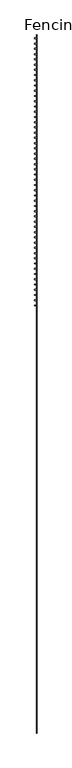
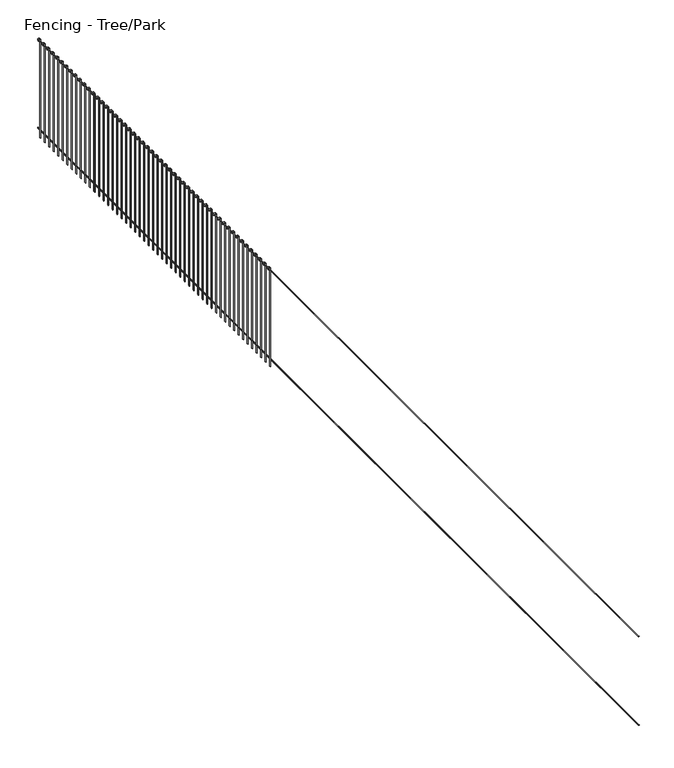
"""IFC4 building model written with IfcOpenShell, lengths in millimetres: railing geometry, Fencing - Tree/Park."""

from ifc_helpers import new_model, si_unit, point, frame, frame_2d, origin, place, context, project, spatial, polyline, circle_curve, trimmed, segment, composite_curve, outline, extrude, source, transform, mapped, element, save


def fencing_tree_park_5382d2d9(model_context):
    return source(origin(), model_context, "Body", "SweptSolid", [
        extrude(outline(composite_curve([segment(trimmed(circle_curve(frame_2d((1892.5, 5260.9077408)), 7.5), [point((1892.5, 5253.4077408))], [point((1892.5, 5268.4077408))], False, "CARTESIAN"), True, "CONTINUOUS"), segment(trimmed(circle_curve(frame_2d((1892.5, 5260.9077408)), 7.5), [point((1892.5, 5268.4077408))], [point((1892.5, 5253.4077408))], False, "CARTESIAN"), True, "CONTINUOUS")], self_intersect=False)), frame((0.0, 6288.7740332, 0.0), z_axis=(0.0, 1.0, 0.0), x_axis=(0.0, 0.0, 1.0)), (0.0, 0.0, 1.0), 20000.0),
        extrude(outline(composite_curve([segment(trimmed(circle_curve(frame_2d((92.5, 5260.9077408)), 7.5), [point((92.5, 5253.4077408))], [point((92.5, 5268.4077408))], False, "CARTESIAN"), True, "CONTINUOUS"), segment(trimmed(circle_curve(frame_2d((92.5, 5260.9077408)), 7.5), [point((92.5, 5268.4077408))], [point((92.5, 5253.4077408))], False, "CARTESIAN"), True, "CONTINUOUS")], self_intersect=False)), frame((0.0, 6288.7740332, 0.0), z_axis=(0.0, 1.0, 0.0), x_axis=(0.0, 0.0, 1.0)), (0.0, 0.0, 1.0), 20000.0),
        extrude(outline(composite_curve([segment(trimmed(circle_curve(frame_2d((1950.0, 5228.4077408)), 25.0), [point((1950.0, 5253.4077408))], [point((1950.0, 5203.4077408))], False, "CARTESIAN"), True, "CONTINUOUS"), segment(polyline([(1950.0, 5203.4077408), (1940.0, 5203.4077408), (1940.0, 5208.4077408), (1950.0, 5208.4077408)]), True, "CONTINUOUS"), segment(trimmed(circle_curve(frame_2d((1950.0, 5228.4077408)), 20.0), [point((1950.0, 5208.4077408))], [point((1950.0, 5248.4077408))], True, "CARTESIAN"), True, "CONTINUOUS"), segment(polyline([(1950.0, 5248.4077408), (-50.0, 5248.4077408), (-50.0, 5253.4077408), (1950.0, 5253.4077408)]), True, "CONTINUOUS")], self_intersect=False)), frame((0.0, 26176.2740332, 0.0), z_axis=(0.0, 1.0, 0.0), x_axis=(0.0, 0.0, 1.0)), (0.0, 0.0, 1.0), 25.0),
        extrude(outline(composite_curve([segment(trimmed(circle_curve(frame_2d((1950.0, 5228.4077408)), 25.0), [point((1950.0, 5253.4077408))], [point((1950.0, 5203.4077408))], False, "CARTESIAN"), True, "CONTINUOUS"), segment(polyline([(1950.0, 5203.4077408), (1940.0, 5203.4077408), (1940.0, 5208.4077408), (1950.0, 5208.4077408)]), True, "CONTINUOUS"), segment(trimmed(circle_curve(frame_2d((1950.0, 5228.4077408)), 20.0), [point((1950.0, 5208.4077408))], [point((1950.0, 5248.4077408))], True, "CARTESIAN"), True, "CONTINUOUS"), segment(polyline([(1950.0, 5248.4077408), (-50.0, 5248.4077408), (-50.0, 5253.4077408), (1950.0, 5253.4077408)]), True, "CONTINUOUS")], self_intersect=False)), frame((0.0, 26026.2740332, 0.0), z_axis=(0.0, 1.0, 0.0), x_axis=(0.0, 0.0, 1.0)), (0.0, 0.0, 1.0), 25.0),
        extrude(outline(composite_curve([segment(trimmed(circle_curve(frame_2d((1950.0, 5228.4077408)), 25.0), [point((1950.0, 5253.4077408))], [point((1950.0, 5203.4077408))], False, "CARTESIAN"), True, "CONTINUOUS"), segment(polyline([(1950.0, 5203.4077408), (1940.0, 5203.4077408), (1940.0, 5208.4077408), (1950.0, 5208.4077408)]), True, "CONTINUOUS"), segment(trimmed(circle_curve(frame_2d((1950.0, 5228.4077408)), 20.0), [point((1950.0, 5208.4077408))], [point((1950.0, 5248.4077408))], True, "CARTESIAN"), True, "CONTINUOUS"), segment(polyline([(1950.0, 5248.4077408), (-50.0, 5248.4077408), (-50.0, 5253.4077408), (1950.0, 5253.4077408)]), True, "CONTINUOUS")], self_intersect=False)), frame((0.0, 25876.2740332, 0.0), z_axis=(0.0, 1.0, 0.0), x_axis=(0.0, 0.0, 1.0)), (0.0, 0.0, 1.0), 25.0),
        extrude(outline(composite_curve([segment(trimmed(circle_curve(frame_2d((1950.0, 5228.4077408)), 25.0), [point((1950.0, 5253.4077408))], [point((1950.0, 5203.4077408))], False, "CARTESIAN"), True, "CONTINUOUS"), segment(polyline([(1950.0, 5203.4077408), (1940.0, 5203.4077408), (1940.0, 5208.4077408), (1950.0, 5208.4077408)]), True, "CONTINUOUS"), segment(trimmed(circle_curve(frame_2d((1950.0, 5228.4077408)), 20.0), [point((1950.0, 5208.4077408))], [point((1950.0, 5248.4077408))], True, "CARTESIAN"), True, "CONTINUOUS"), segment(polyline([(1950.0, 5248.4077408), (-50.0, 5248.4077408), (-50.0, 5253.4077408), (1950.0, 5253.4077408)]), True, "CONTINUOUS")], self_intersect=False)), frame((0.0, 25726.2740332, 0.0), z_axis=(0.0, 1.0, 0.0), x_axis=(0.0, 0.0, 1.0)), (0.0, 0.0, 1.0), 25.0),
        extrude(outline(composite_curve([segment(trimmed(circle_curve(frame_2d((1950.0, 5228.4077408)), 25.0), [point((1950.0, 5253.4077408))], [point((1950.0, 5203.4077408))], False, "CARTESIAN"), True, "CONTINUOUS"), segment(polyline([(1950.0, 5203.4077408), (1940.0, 5203.4077408), (1940.0, 5208.4077408), (1950.0, 5208.4077408)]), True, "CONTINUOUS"), segment(trimmed(circle_curve(frame_2d((1950.0, 5228.4077408)), 20.0), [point((1950.0, 5208.4077408))], [point((1950.0, 5248.4077408))], True, "CARTESIAN"), True, "CONTINUOUS"), segment(polyline([(1950.0, 5248.4077408), (-50.0, 5248.4077408), (-50.0, 5253.4077408), (1950.0, 5253.4077408)]), True, "CONTINUOUS")], self_intersect=False)), frame((0.0, 25576.2740332, 0.0), z_axis=(0.0, 1.0, 0.0), x_axis=(0.0, 0.0, 1.0)), (0.0, 0.0, 1.0), 25.0),
        extrude(outline(composite_curve([segment(trimmed(circle_curve(frame_2d((1950.0, 5228.4077408)), 25.0), [point((1950.0, 5253.4077408))], [point((1950.0, 5203.4077408))], False, "CARTESIAN"), True, "CONTINUOUS"), segment(polyline([(1950.0, 5203.4077408), (1940.0, 5203.4077408), (1940.0, 5208.4077408), (1950.0, 5208.4077408)]), True, "CONTINUOUS"), segment(trimmed(circle_curve(frame_2d((1950.0, 5228.4077408)), 20.0), [point((1950.0, 5208.4077408))], [point((1950.0, 5248.4077408))], True, "CARTESIAN"), True, "CONTINUOUS"), segment(polyline([(1950.0, 5248.4077408), (-50.0, 5248.4077408), (-50.0, 5253.4077408), (1950.0, 5253.4077408)]), True, "CONTINUOUS")], self_intersect=False)), frame((0.0, 25426.2740332, 0.0), z_axis=(0.0, 1.0, 0.0), x_axis=(0.0, 0.0, 1.0)), (0.0, 0.0, 1.0), 25.0),
        extrude(outline(composite_curve([segment(trimmed(circle_curve(frame_2d((1950.0, 5228.4077408)), 25.0), [point((1950.0, 5253.4077408))], [point((1950.0, 5203.4077408))], False, "CARTESIAN"), True, "CONTINUOUS"), segment(polyline([(1950.0, 5203.4077408), (1940.0, 5203.4077408), (1940.0, 5208.4077408), (1950.0, 5208.4077408)]), True, "CONTINUOUS"), segment(trimmed(circle_curve(frame_2d((1950.0, 5228.4077408)), 20.0), [point((1950.0, 5208.4077408))], [point((1950.0, 5248.4077408))], True, "CARTESIAN"), True, "CONTINUOUS"), segment(polyline([(1950.0, 5248.4077408), (-50.0, 5248.4077408), (-50.0, 5253.4077408), (1950.0, 5253.4077408)]), True, "CONTINUOUS")], self_intersect=False)), frame((0.0, 25276.2740332, 0.0), z_axis=(0.0, 1.0, 0.0), x_axis=(0.0, 0.0, 1.0)), (0.0, 0.0, 1.0), 25.0),
        extrude(outline(composite_curve([segment(trimmed(circle_curve(frame_2d((1950.0, 5228.4077408)), 25.0), [point((1950.0, 5253.4077408))], [point((1950.0, 5203.4077408))], False, "CARTESIAN"), True, "CONTINUOUS"), segment(polyline([(1950.0, 5203.4077408), (1940.0, 5203.4077408), (1940.0, 5208.4077408), (1950.0, 5208.4077408)]), True, "CONTINUOUS"), segment(trimmed(circle_curve(frame_2d((1950.0, 5228.4077408)), 20.0), [point((1950.0, 5208.4077408))], [point((1950.0, 5248.4077408))], True, "CARTESIAN"), True, "CONTINUOUS"), segment(polyline([(1950.0, 5248.4077408), (-50.0, 5248.4077408), (-50.0, 5253.4077408), (1950.0, 5253.4077408)]), True, "CONTINUOUS")], self_intersect=False)), frame((0.0, 25126.2740332, 0.0), z_axis=(0.0, 1.0, 0.0), x_axis=(0.0, 0.0, 1.0)), (0.0, 0.0, 1.0), 25.0),
        extrude(outline(composite_curve([segment(trimmed(circle_curve(frame_2d((1950.0, 5228.4077408)), 25.0), [point((1950.0, 5253.4077408))], [point((1950.0, 5203.4077408))], False, "CARTESIAN"), True, "CONTINUOUS"), segment(polyline([(1950.0, 5203.4077408), (1940.0, 5203.4077408), (1940.0, 5208.4077408), (1950.0, 5208.4077408)]), True, "CONTINUOUS"), segment(trimmed(circle_curve(frame_2d((1950.0, 5228.4077408)), 20.0), [point((1950.0, 5208.4077408))], [point((1950.0, 5248.4077408))], True, "CARTESIAN"), True, "CONTINUOUS"), segment(polyline([(1950.0, 5248.4077408), (-50.0, 5248.4077408), (-50.0, 5253.4077408), (1950.0, 5253.4077408)]), True, "CONTINUOUS")], self_intersect=False)), frame((0.0, 24976.2740332, 0.0), z_axis=(0.0, 1.0, 0.0), x_axis=(0.0, 0.0, 1.0)), (0.0, 0.0, 1.0), 25.0),
        extrude(outline(composite_curve([segment(trimmed(circle_curve(frame_2d((1950.0, 5228.4077408)), 25.0), [point((1950.0, 5253.4077408))], [point((1950.0, 5203.4077408))], False, "CARTESIAN"), True, "CONTINUOUS"), segment(polyline([(1950.0, 5203.4077408), (1940.0, 5203.4077408), (1940.0, 5208.4077408), (1950.0, 5208.4077408)]), True, "CONTINUOUS"), segment(trimmed(circle_curve(frame_2d((1950.0, 5228.4077408)), 20.0), [point((1950.0, 5208.4077408))], [point((1950.0, 5248.4077408))], True, "CARTESIAN"), True, "CONTINUOUS"), segment(polyline([(1950.0, 5248.4077408), (-50.0, 5248.4077408), (-50.0, 5253.4077408), (1950.0, 5253.4077408)]), True, "CONTINUOUS")], self_intersect=False)), frame((0.0, 24826.2740332, 0.0), z_axis=(0.0, 1.0, 0.0), x_axis=(0.0, 0.0, 1.0)), (0.0, 0.0, 1.0), 25.0),
        extrude(outline(composite_curve([segment(trimmed(circle_curve(frame_2d((1950.0, 5228.4077408)), 25.0), [point((1950.0, 5253.4077408))], [point((1950.0, 5203.4077408))], False, "CARTESIAN"), True, "CONTINUOUS"), segment(polyline([(1950.0, 5203.4077408), (1940.0, 5203.4077408), (1940.0, 5208.4077408), (1950.0, 5208.4077408)]), True, "CONTINUOUS"), segment(trimmed(circle_curve(frame_2d((1950.0, 5228.4077408)), 20.0), [point((1950.0, 5208.4077408))], [point((1950.0, 5248.4077408))], True, "CARTESIAN"), True, "CONTINUOUS"), segment(polyline([(1950.0, 5248.4077408), (-50.0, 5248.4077408), (-50.0, 5253.4077408), (1950.0, 5253.4077408)]), True, "CONTINUOUS")], self_intersect=False)), frame((0.0, 24676.2740332, 0.0), z_axis=(0.0, 1.0, 0.0), x_axis=(0.0, 0.0, 1.0)), (0.0, 0.0, 1.0), 25.0),
        extrude(outline(composite_curve([segment(trimmed(circle_curve(frame_2d((1950.0, 5228.4077408)), 25.0), [point((1950.0, 5253.4077408))], [point((1950.0, 5203.4077408))], False, "CARTESIAN"), True, "CONTINUOUS"), segment(polyline([(1950.0, 5203.4077408), (1940.0, 5203.4077408), (1940.0, 5208.4077408), (1950.0, 5208.4077408)]), True, "CONTINUOUS"), segment(trimmed(circle_curve(frame_2d((1950.0, 5228.4077408)), 20.0), [point((1950.0, 5208.4077408))], [point((1950.0, 5248.4077408))], True, "CARTESIAN"), True, "CONTINUOUS"), segment(polyline([(1950.0, 5248.4077408), (-50.0, 5248.4077408), (-50.0, 5253.4077408), (1950.0, 5253.4077408)]), True, "CONTINUOUS")], self_intersect=False)), frame((0.0, 24526.2740332, 0.0), z_axis=(0.0, 1.0, 0.0), x_axis=(0.0, 0.0, 1.0)), (0.0, 0.0, 1.0), 25.0),
        extrude(outline(composite_curve([segment(trimmed(circle_curve(frame_2d((1950.0, 5228.4077408)), 25.0), [point((1950.0, 5253.4077408))], [point((1950.0, 5203.4077408))], False, "CARTESIAN"), True, "CONTINUOUS"), segment(polyline([(1950.0, 5203.4077408), (1940.0, 5203.4077408), (1940.0, 5208.4077408), (1950.0, 5208.4077408)]), True, "CONTINUOUS"), segment(trimmed(circle_curve(frame_2d((1950.0, 5228.4077408)), 20.0), [point((1950.0, 5208.4077408))], [point((1950.0, 5248.4077408))], True, "CARTESIAN"), True, "CONTINUOUS"), segment(polyline([(1950.0, 5248.4077408), (-50.0, 5248.4077408), (-50.0, 5253.4077408), (1950.0, 5253.4077408)]), True, "CONTINUOUS")], self_intersect=False)), frame((0.0, 24376.2740332, 0.0), z_axis=(0.0, 1.0, 0.0), x_axis=(0.0, 0.0, 1.0)), (0.0, 0.0, 1.0), 25.0),
        extrude(outline(composite_curve([segment(trimmed(circle_curve(frame_2d((1950.0, 5228.4077408)), 25.0), [point((1950.0, 5253.4077408))], [point((1950.0, 5203.4077408))], False, "CARTESIAN"), True, "CONTINUOUS"), segment(polyline([(1950.0, 5203.4077408), (1940.0, 5203.4077408), (1940.0, 5208.4077408), (1950.0, 5208.4077408)]), True, "CONTINUOUS"), segment(trimmed(circle_curve(frame_2d((1950.0, 5228.4077408)), 20.0), [point((1950.0, 5208.4077408))], [point((1950.0, 5248.4077408))], True, "CARTESIAN"), True, "CONTINUOUS"), segment(polyline([(1950.0, 5248.4077408), (-50.0, 5248.4077408), (-50.0, 5253.4077408), (1950.0, 5253.4077408)]), True, "CONTINUOUS")], self_intersect=False)), frame((0.0, 24226.2740332, 0.0), z_axis=(0.0, 1.0, 0.0), x_axis=(0.0, 0.0, 1.0)), (0.0, 0.0, 1.0), 25.0),
        extrude(outline(composite_curve([segment(trimmed(circle_curve(frame_2d((1950.0, 5228.4077408)), 25.0), [point((1950.0, 5253.4077408))], [point((1950.0, 5203.4077408))], False, "CARTESIAN"), True, "CONTINUOUS"), segment(polyline([(1950.0, 5203.4077408), (1940.0, 5203.4077408), (1940.0, 5208.4077408), (1950.0, 5208.4077408)]), True, "CONTINUOUS"), segment(trimmed(circle_curve(frame_2d((1950.0, 5228.4077408)), 20.0), [point((1950.0, 5208.4077408))], [point((1950.0, 5248.4077408))], True, "CARTESIAN"), True, "CONTINUOUS"), segment(polyline([(1950.0, 5248.4077408), (-50.0, 5248.4077408), (-50.0, 5253.4077408), (1950.0, 5253.4077408)]), True, "CONTINUOUS")], self_intersect=False)), frame((0.0, 24076.2740332, 0.0), z_axis=(0.0, 1.0, 0.0), x_axis=(0.0, 0.0, 1.0)), (0.0, 0.0, 1.0), 25.0),
        extrude(outline(composite_curve([segment(trimmed(circle_curve(frame_2d((1950.0, 5228.4077408)), 25.0), [point((1950.0, 5253.4077408))], [point((1950.0, 5203.4077408))], False, "CARTESIAN"), True, "CONTINUOUS"), segment(polyline([(1950.0, 5203.4077408), (1940.0, 5203.4077408), (1940.0, 5208.4077408), (1950.0, 5208.4077408)]), True, "CONTINUOUS"), segment(trimmed(circle_curve(frame_2d((1950.0, 5228.4077408)), 20.0), [point((1950.0, 5208.4077408))], [point((1950.0, 5248.4077408))], True, "CARTESIAN"), True, "CONTINUOUS"), segment(polyline([(1950.0, 5248.4077408), (-50.0, 5248.4077408), (-50.0, 5253.4077408), (1950.0, 5253.4077408)]), True, "CONTINUOUS")], self_intersect=False)), frame((0.0, 23926.2740332, 0.0), z_axis=(0.0, 1.0, 0.0), x_axis=(0.0, 0.0, 1.0)), (0.0, 0.0, 1.0), 25.0),
        extrude(outline(composite_curve([segment(trimmed(circle_curve(frame_2d((1950.0, 5228.4077408)), 25.0), [point((1950.0, 5253.4077408))], [point((1950.0, 5203.4077408))], False, "CARTESIAN"), True, "CONTINUOUS"), segment(polyline([(1950.0, 5203.4077408), (1940.0, 5203.4077408), (1940.0, 5208.4077408), (1950.0, 5208.4077408)]), True, "CONTINUOUS"), segment(trimmed(circle_curve(frame_2d((1950.0, 5228.4077408)), 20.0), [point((1950.0, 5208.4077408))], [point((1950.0, 5248.4077408))], True, "CARTESIAN"), True, "CONTINUOUS"), segment(polyline([(1950.0, 5248.4077408), (-50.0, 5248.4077408), (-50.0, 5253.4077408), (1950.0, 5253.4077408)]), True, "CONTINUOUS")], self_intersect=False)), frame((0.0, 23776.2740332, 0.0), z_axis=(0.0, 1.0, 0.0), x_axis=(0.0, 0.0, 1.0)), (0.0, 0.0, 1.0), 25.0),
        extrude(outline(composite_curve([segment(trimmed(circle_curve(frame_2d((1950.0, 5228.4077408)), 25.0), [point((1950.0, 5253.4077408))], [point((1950.0, 5203.4077408))], False, "CARTESIAN"), True, "CONTINUOUS"), segment(polyline([(1950.0, 5203.4077408), (1940.0, 5203.4077408), (1940.0, 5208.4077408), (1950.0, 5208.4077408)]), True, "CONTINUOUS"), segment(trimmed(circle_curve(frame_2d((1950.0, 5228.4077408)), 20.0), [point((1950.0, 5208.4077408))], [point((1950.0, 5248.4077408))], True, "CARTESIAN"), True, "CONTINUOUS"), segment(polyline([(1950.0, 5248.4077408), (-50.0, 5248.4077408), (-50.0, 5253.4077408), (1950.0, 5253.4077408)]), True, "CONTINUOUS")], self_intersect=False)), frame((0.0, 23626.2740332, 0.0), z_axis=(0.0, 1.0, 0.0), x_axis=(0.0, 0.0, 1.0)), (0.0, 0.0, 1.0), 25.0),
        extrude(outline(composite_curve([segment(trimmed(circle_curve(frame_2d((1950.0, 5228.4077408)), 25.0), [point((1950.0, 5253.4077408))], [point((1950.0, 5203.4077408))], False, "CARTESIAN"), True, "CONTINUOUS"), segment(polyline([(1950.0, 5203.4077408), (1940.0, 5203.4077408), (1940.0, 5208.4077408), (1950.0, 5208.4077408)]), True, "CONTINUOUS"), segment(trimmed(circle_curve(frame_2d((1950.0, 5228.4077408)), 20.0), [point((1950.0, 5208.4077408))], [point((1950.0, 5248.4077408))], True, "CARTESIAN"), True, "CONTINUOUS"), segment(polyline([(1950.0, 5248.4077408), (-50.0, 5248.4077408), (-50.0, 5253.4077408), (1950.0, 5253.4077408)]), True, "CONTINUOUS")], self_intersect=False)), frame((0.0, 23476.2740332, 0.0), z_axis=(0.0, 1.0, 0.0), x_axis=(0.0, 0.0, 1.0)), (0.0, 0.0, 1.0), 25.0),
        extrude(outline(composite_curve([segment(trimmed(circle_curve(frame_2d((1950.0, 5228.4077408)), 25.0), [point((1950.0, 5253.4077408))], [point((1950.0, 5203.4077408))], False, "CARTESIAN"), True, "CONTINUOUS"), segment(polyline([(1950.0, 5203.4077408), (1940.0, 5203.4077408), (1940.0, 5208.4077408), (1950.0, 5208.4077408)]), True, "CONTINUOUS"), segment(trimmed(circle_curve(frame_2d((1950.0, 5228.4077408)), 20.0), [point((1950.0, 5208.4077408))], [point((1950.0, 5248.4077408))], True, "CARTESIAN"), True, "CONTINUOUS"), segment(polyline([(1950.0, 5248.4077408), (-50.0, 5248.4077408), (-50.0, 5253.4077408), (1950.0, 5253.4077408)]), True, "CONTINUOUS")], self_intersect=False)), frame((0.0, 23326.2740332, 0.0), z_axis=(0.0, 1.0, 0.0), x_axis=(0.0, 0.0, 1.0)), (0.0, 0.0, 1.0), 25.0),
        extrude(outline(composite_curve([segment(trimmed(circle_curve(frame_2d((1950.0, 5228.4077408)), 25.0), [point((1950.0, 5253.4077408))], [point((1950.0, 5203.4077408))], False, "CARTESIAN"), True, "CONTINUOUS"), segment(polyline([(1950.0, 5203.4077408), (1940.0, 5203.4077408), (1940.0, 5208.4077408), (1950.0, 5208.4077408)]), True, "CONTINUOUS"), segment(trimmed(circle_curve(frame_2d((1950.0, 5228.4077408)), 20.0), [point((1950.0, 5208.4077408))], [point((1950.0, 5248.4077408))], True, "CARTESIAN"), True, "CONTINUOUS"), segment(polyline([(1950.0, 5248.4077408), (-50.0, 5248.4077408), (-50.0, 5253.4077408), (1950.0, 5253.4077408)]), True, "CONTINUOUS")], self_intersect=False)), frame((0.0, 23176.2740332, 0.0), z_axis=(0.0, 1.0, 0.0), x_axis=(0.0, 0.0, 1.0)), (0.0, 0.0, 1.0), 25.0),
        extrude(outline(composite_curve([segment(trimmed(circle_curve(frame_2d((1950.0, 5228.4077408)), 25.0), [point((1950.0, 5253.4077408))], [point((1950.0, 5203.4077408))], False, "CARTESIAN"), True, "CONTINUOUS"), segment(polyline([(1950.0, 5203.4077408), (1940.0, 5203.4077408), (1940.0, 5208.4077408), (1950.0, 5208.4077408)]), True, "CONTINUOUS"), segment(trimmed(circle_curve(frame_2d((1950.0, 5228.4077408)), 20.0), [point((1950.0, 5208.4077408))], [point((1950.0, 5248.4077408))], True, "CARTESIAN"), True, "CONTINUOUS"), segment(polyline([(1950.0, 5248.4077408), (-50.0, 5248.4077408), (-50.0, 5253.4077408), (1950.0, 5253.4077408)]), True, "CONTINUOUS")], self_intersect=False)), frame((0.0, 23026.2740332, 0.0), z_axis=(0.0, 1.0, 0.0), x_axis=(0.0, 0.0, 1.0)), (0.0, 0.0, 1.0), 25.0),
        extrude(outline(composite_curve([segment(trimmed(circle_curve(frame_2d((1950.0, 5228.4077408)), 25.0), [point((1950.0, 5253.4077408))], [point((1950.0, 5203.4077408))], False, "CARTESIAN"), True, "CONTINUOUS"), segment(polyline([(1950.0, 5203.4077408), (1940.0, 5203.4077408), (1940.0, 5208.4077408), (1950.0, 5208.4077408)]), True, "CONTINUOUS"), segment(trimmed(circle_curve(frame_2d((1950.0, 5228.4077408)), 20.0), [point((1950.0, 5208.4077408))], [point((1950.0, 5248.4077408))], True, "CARTESIAN"), True, "CONTINUOUS"), segment(polyline([(1950.0, 5248.4077408), (-50.0, 5248.4077408), (-50.0, 5253.4077408), (1950.0, 5253.4077408)]), True, "CONTINUOUS")], self_intersect=False)), frame((0.0, 22876.2740332, 0.0), z_axis=(0.0, 1.0, 0.0), x_axis=(0.0, 0.0, 1.0)), (0.0, 0.0, 1.0), 25.0),
        extrude(outline(composite_curve([segment(trimmed(circle_curve(frame_2d((1950.0, 5228.4077408)), 25.0), [point((1950.0, 5253.4077408))], [point((1950.0, 5203.4077408))], False, "CARTESIAN"), True, "CONTINUOUS"), segment(polyline([(1950.0, 5203.4077408), (1940.0, 5203.4077408), (1940.0, 5208.4077408), (1950.0, 5208.4077408)]), True, "CONTINUOUS"), segment(trimmed(circle_curve(frame_2d((1950.0, 5228.4077408)), 20.0), [point((1950.0, 5208.4077408))], [point((1950.0, 5248.4077408))], True, "CARTESIAN"), True, "CONTINUOUS"), segment(polyline([(1950.0, 5248.4077408), (-50.0, 5248.4077408), (-50.0, 5253.4077408), (1950.0, 5253.4077408)]), True, "CONTINUOUS")], self_intersect=False)), frame((0.0, 22726.2740332, 0.0), z_axis=(0.0, 1.0, 0.0), x_axis=(0.0, 0.0, 1.0)), (0.0, 0.0, 1.0), 25.0),
        extrude(outline(composite_curve([segment(trimmed(circle_curve(frame_2d((1950.0, 5228.4077408)), 25.0), [point((1950.0, 5253.4077408))], [point((1950.0, 5203.4077408))], False, "CARTESIAN"), True, "CONTINUOUS"), segment(polyline([(1950.0, 5203.4077408), (1940.0, 5203.4077408), (1940.0, 5208.4077408), (1950.0, 5208.4077408)]), True, "CONTINUOUS"), segment(trimmed(circle_curve(frame_2d((1950.0, 5228.4077408)), 20.0), [point((1950.0, 5208.4077408))], [point((1950.0, 5248.4077408))], True, "CARTESIAN"), True, "CONTINUOUS"), segment(polyline([(1950.0, 5248.4077408), (-50.0, 5248.4077408), (-50.0, 5253.4077408), (1950.0, 5253.4077408)]), True, "CONTINUOUS")], self_intersect=False)), frame((0.0, 22576.2740332, 0.0), z_axis=(0.0, 1.0, 0.0), x_axis=(0.0, 0.0, 1.0)), (0.0, 0.0, 1.0), 25.0),
        extrude(outline(composite_curve([segment(trimmed(circle_curve(frame_2d((1950.0, 5228.4077408)), 25.0), [point((1950.0, 5253.4077408))], [point((1950.0, 5203.4077408))], False, "CARTESIAN"), True, "CONTINUOUS"), segment(polyline([(1950.0, 5203.4077408), (1940.0, 5203.4077408), (1940.0, 5208.4077408), (1950.0, 5208.4077408)]), True, "CONTINUOUS"), segment(trimmed(circle_curve(frame_2d((1950.0, 5228.4077408)), 20.0), [point((1950.0, 5208.4077408))], [point((1950.0, 5248.4077408))], True, "CARTESIAN"), True, "CONTINUOUS"), segment(polyline([(1950.0, 5248.4077408), (-50.0, 5248.4077408), (-50.0, 5253.4077408), (1950.0, 5253.4077408)]), True, "CONTINUOUS")], self_intersect=False)), frame((0.0, 22426.2740332, 0.0), z_axis=(0.0, 1.0, 0.0), x_axis=(0.0, 0.0, 1.0)), (0.0, 0.0, 1.0), 25.0),
        extrude(outline(composite_curve([segment(trimmed(circle_curve(frame_2d((1950.0, 5228.4077408)), 25.0), [point((1950.0, 5253.4077408))], [point((1950.0, 5203.4077408))], False, "CARTESIAN"), True, "CONTINUOUS"), segment(polyline([(1950.0, 5203.4077408), (1940.0, 5203.4077408), (1940.0, 5208.4077408), (1950.0, 5208.4077408)]), True, "CONTINUOUS"), segment(trimmed(circle_curve(frame_2d((1950.0, 5228.4077408)), 20.0), [point((1950.0, 5208.4077408))], [point((1950.0, 5248.4077408))], True, "CARTESIAN"), True, "CONTINUOUS"), segment(polyline([(1950.0, 5248.4077408), (-50.0, 5248.4077408), (-50.0, 5253.4077408), (1950.0, 5253.4077408)]), True, "CONTINUOUS")], self_intersect=False)), frame((0.0, 22276.2740332, 0.0), z_axis=(0.0, 1.0, 0.0), x_axis=(0.0, 0.0, 1.0)), (0.0, 0.0, 1.0), 25.0),
        extrude(outline(composite_curve([segment(trimmed(circle_curve(frame_2d((1950.0, 5228.4077408)), 25.0), [point((1950.0, 5253.4077408))], [point((1950.0, 5203.4077408))], False, "CARTESIAN"), True, "CONTINUOUS"), segment(polyline([(1950.0, 5203.4077408), (1940.0, 5203.4077408), (1940.0, 5208.4077408), (1950.0, 5208.4077408)]), True, "CONTINUOUS"), segment(trimmed(circle_curve(frame_2d((1950.0, 5228.4077408)), 20.0), [point((1950.0, 5208.4077408))], [point((1950.0, 5248.4077408))], True, "CARTESIAN"), True, "CONTINUOUS"), segment(polyline([(1950.0, 5248.4077408), (-50.0, 5248.4077408), (-50.0, 5253.4077408), (1950.0, 5253.4077408)]), True, "CONTINUOUS")], self_intersect=False)), frame((0.0, 22126.2740332, 0.0), z_axis=(0.0, 1.0, 0.0), x_axis=(0.0, 0.0, 1.0)), (0.0, 0.0, 1.0), 25.0),
        extrude(outline(composite_curve([segment(trimmed(circle_curve(frame_2d((1950.0, 5228.4077408)), 25.0), [point((1950.0, 5253.4077408))], [point((1950.0, 5203.4077408))], False, "CARTESIAN"), True, "CONTINUOUS"), segment(polyline([(1950.0, 5203.4077408), (1940.0, 5203.4077408), (1940.0, 5208.4077408), (1950.0, 5208.4077408)]), True, "CONTINUOUS"), segment(trimmed(circle_curve(frame_2d((1950.0, 5228.4077408)), 20.0), [point((1950.0, 5208.4077408))], [point((1950.0, 5248.4077408))], True, "CARTESIAN"), True, "CONTINUOUS"), segment(polyline([(1950.0, 5248.4077408), (-50.0, 5248.4077408), (-50.0, 5253.4077408), (1950.0, 5253.4077408)]), True, "CONTINUOUS")], self_intersect=False)), frame((0.0, 21976.2740332, 0.0), z_axis=(0.0, 1.0, 0.0), x_axis=(0.0, 0.0, 1.0)), (0.0, 0.0, 1.0), 25.0),
        extrude(outline(composite_curve([segment(trimmed(circle_curve(frame_2d((1950.0, 5228.4077408)), 25.0), [point((1950.0, 5253.4077408))], [point((1950.0, 5203.4077408))], False, "CARTESIAN"), True, "CONTINUOUS"), segment(polyline([(1950.0, 5203.4077408), (1940.0, 5203.4077408), (1940.0, 5208.4077408), (1950.0, 5208.4077408)]), True, "CONTINUOUS"), segment(trimmed(circle_curve(frame_2d((1950.0, 5228.4077408)), 20.0), [point((1950.0, 5208.4077408))], [point((1950.0, 5248.4077408))], True, "CARTESIAN"), True, "CONTINUOUS"), segment(polyline([(1950.0, 5248.4077408), (-50.0, 5248.4077408), (-50.0, 5253.4077408), (1950.0, 5253.4077408)]), True, "CONTINUOUS")], self_intersect=False)), frame((0.0, 21826.2740332, 0.0), z_axis=(0.0, 1.0, 0.0), x_axis=(0.0, 0.0, 1.0)), (0.0, 0.0, 1.0), 25.0),
        extrude(outline(composite_curve([segment(trimmed(circle_curve(frame_2d((1950.0, 5228.4077408)), 25.0), [point((1950.0, 5253.4077408))], [point((1950.0, 5203.4077408))], False, "CARTESIAN"), True, "CONTINUOUS"), segment(polyline([(1950.0, 5203.4077408), (1940.0, 5203.4077408), (1940.0, 5208.4077408), (1950.0, 5208.4077408)]), True, "CONTINUOUS"), segment(trimmed(circle_curve(frame_2d((1950.0, 5228.4077408)), 20.0), [point((1950.0, 5208.4077408))], [point((1950.0, 5248.4077408))], True, "CARTESIAN"), True, "CONTINUOUS"), segment(polyline([(1950.0, 5248.4077408), (-50.0, 5248.4077408), (-50.0, 5253.4077408), (1950.0, 5253.4077408)]), True, "CONTINUOUS")], self_intersect=False)), frame((0.0, 21676.2740332, 0.0), z_axis=(0.0, 1.0, 0.0), x_axis=(0.0, 0.0, 1.0)), (0.0, 0.0, 1.0), 25.0),
        extrude(outline(composite_curve([segment(trimmed(circle_curve(frame_2d((1950.0, 5228.4077408)), 25.0), [point((1950.0, 5253.4077408))], [point((1950.0, 5203.4077408))], False, "CARTESIAN"), True, "CONTINUOUS"), segment(polyline([(1950.0, 5203.4077408), (1940.0, 5203.4077408), (1940.0, 5208.4077408), (1950.0, 5208.4077408)]), True, "CONTINUOUS"), segment(trimmed(circle_curve(frame_2d((1950.0, 5228.4077408)), 20.0), [point((1950.0, 5208.4077408))], [point((1950.0, 5248.4077408))], True, "CARTESIAN"), True, "CONTINUOUS"), segment(polyline([(1950.0, 5248.4077408), (-50.0, 5248.4077408), (-50.0, 5253.4077408), (1950.0, 5253.4077408)]), True, "CONTINUOUS")], self_intersect=False)), frame((0.0, 21526.2740332, 0.0), z_axis=(0.0, 1.0, 0.0), x_axis=(0.0, 0.0, 1.0)), (0.0, 0.0, 1.0), 25.0),
        extrude(outline(composite_curve([segment(trimmed(circle_curve(frame_2d((1950.0, 5228.4077408)), 25.0), [point((1950.0, 5253.4077408))], [point((1950.0, 5203.4077408))], False, "CARTESIAN"), True, "CONTINUOUS"), segment(polyline([(1950.0, 5203.4077408), (1940.0, 5203.4077408), (1940.0, 5208.4077408), (1950.0, 5208.4077408)]), True, "CONTINUOUS"), segment(trimmed(circle_curve(frame_2d((1950.0, 5228.4077408)), 20.0), [point((1950.0, 5208.4077408))], [point((1950.0, 5248.4077408))], True, "CARTESIAN"), True, "CONTINUOUS"), segment(polyline([(1950.0, 5248.4077408), (-50.0, 5248.4077408), (-50.0, 5253.4077408), (1950.0, 5253.4077408)]), True, "CONTINUOUS")], self_intersect=False)), frame((0.0, 21376.2740332, 0.0), z_axis=(0.0, 1.0, 0.0), x_axis=(0.0, 0.0, 1.0)), (0.0, 0.0, 1.0), 25.0),
        extrude(outline(composite_curve([segment(trimmed(circle_curve(frame_2d((1950.0, 5228.4077408)), 25.0), [point((1950.0, 5253.4077408))], [point((1950.0, 5203.4077408))], False, "CARTESIAN"), True, "CONTINUOUS"), segment(polyline([(1950.0, 5203.4077408), (1940.0, 5203.4077408), (1940.0, 5208.4077408), (1950.0, 5208.4077408)]), True, "CONTINUOUS"), segment(trimmed(circle_curve(frame_2d((1950.0, 5228.4077408)), 20.0), [point((1950.0, 5208.4077408))], [point((1950.0, 5248.4077408))], True, "CARTESIAN"), True, "CONTINUOUS"), segment(polyline([(1950.0, 5248.4077408), (-50.0, 5248.4077408), (-50.0, 5253.4077408), (1950.0, 5253.4077408)]), True, "CONTINUOUS")], self_intersect=False)), frame((0.0, 21226.2740332, 0.0), z_axis=(0.0, 1.0, 0.0), x_axis=(0.0, 0.0, 1.0)), (0.0, 0.0, 1.0), 25.0),
        extrude(outline(composite_curve([segment(trimmed(circle_curve(frame_2d((1950.0, 5228.4077408)), 25.0), [point((1950.0, 5253.4077408))], [point((1950.0, 5203.4077408))], False, "CARTESIAN"), True, "CONTINUOUS"), segment(polyline([(1950.0, 5203.4077408), (1940.0, 5203.4077408), (1940.0, 5208.4077408), (1950.0, 5208.4077408)]), True, "CONTINUOUS"), segment(trimmed(circle_curve(frame_2d((1950.0, 5228.4077408)), 20.0), [point((1950.0, 5208.4077408))], [point((1950.0, 5248.4077408))], True, "CARTESIAN"), True, "CONTINUOUS"), segment(polyline([(1950.0, 5248.4077408), (-50.0, 5248.4077408), (-50.0, 5253.4077408), (1950.0, 5253.4077408)]), True, "CONTINUOUS")], self_intersect=False)), frame((0.0, 21076.2740332, 0.0), z_axis=(0.0, 1.0, 0.0), x_axis=(0.0, 0.0, 1.0)), (0.0, 0.0, 1.0), 25.0),
        extrude(outline(composite_curve([segment(trimmed(circle_curve(frame_2d((1950.0, 5228.4077408)), 25.0), [point((1950.0, 5253.4077408))], [point((1950.0, 5203.4077408))], False, "CARTESIAN"), True, "CONTINUOUS"), segment(polyline([(1950.0, 5203.4077408), (1940.0, 5203.4077408), (1940.0, 5208.4077408), (1950.0, 5208.4077408)]), True, "CONTINUOUS"), segment(trimmed(circle_curve(frame_2d((1950.0, 5228.4077408)), 20.0), [point((1950.0, 5208.4077408))], [point((1950.0, 5248.4077408))], True, "CARTESIAN"), True, "CONTINUOUS"), segment(polyline([(1950.0, 5248.4077408), (-50.0, 5248.4077408), (-50.0, 5253.4077408), (1950.0, 5253.4077408)]), True, "CONTINUOUS")], self_intersect=False)), frame((0.0, 20926.2740332, 0.0), z_axis=(0.0, 1.0, 0.0), x_axis=(0.0, 0.0, 1.0)), (0.0, 0.0, 1.0), 25.0),
        extrude(outline(composite_curve([segment(trimmed(circle_curve(frame_2d((1950.0, 5228.4077408)), 25.0), [point((1950.0, 5253.4077408))], [point((1950.0, 5203.4077408))], False, "CARTESIAN"), True, "CONTINUOUS"), segment(polyline([(1950.0, 5203.4077408), (1940.0, 5203.4077408), (1940.0, 5208.4077408), (1950.0, 5208.4077408)]), True, "CONTINUOUS"), segment(trimmed(circle_curve(frame_2d((1950.0, 5228.4077408)), 20.0), [point((1950.0, 5208.4077408))], [point((1950.0, 5248.4077408))], True, "CARTESIAN"), True, "CONTINUOUS"), segment(polyline([(1950.0, 5248.4077408), (-50.0, 5248.4077408), (-50.0, 5253.4077408), (1950.0, 5253.4077408)]), True, "CONTINUOUS")], self_intersect=False)), frame((0.0, 20776.2740332, 0.0), z_axis=(0.0, 1.0, 0.0), x_axis=(0.0, 0.0, 1.0)), (0.0, 0.0, 1.0), 25.0),
        extrude(outline(composite_curve([segment(trimmed(circle_curve(frame_2d((1950.0, 5228.4077408)), 25.0), [point((1950.0, 5253.4077408))], [point((1950.0, 5203.4077408))], False, "CARTESIAN"), True, "CONTINUOUS"), segment(polyline([(1950.0, 5203.4077408), (1940.0, 5203.4077408), (1940.0, 5208.4077408), (1950.0, 5208.4077408)]), True, "CONTINUOUS"), segment(trimmed(circle_curve(frame_2d((1950.0, 5228.4077408)), 20.0), [point((1950.0, 5208.4077408))], [point((1950.0, 5248.4077408))], True, "CARTESIAN"), True, "CONTINUOUS"), segment(polyline([(1950.0, 5248.4077408), (-50.0, 5248.4077408), (-50.0, 5253.4077408), (1950.0, 5253.4077408)]), True, "CONTINUOUS")], self_intersect=False)), frame((0.0, 20626.2740332, 0.0), z_axis=(0.0, 1.0, 0.0), x_axis=(0.0, 0.0, 1.0)), (0.0, 0.0, 1.0), 25.0),
        extrude(outline(composite_curve([segment(trimmed(circle_curve(frame_2d((1950.0, 5228.4077408)), 25.0), [point((1950.0, 5253.4077408))], [point((1950.0, 5203.4077408))], False, "CARTESIAN"), True, "CONTINUOUS"), segment(polyline([(1950.0, 5203.4077408), (1940.0, 5203.4077408), (1940.0, 5208.4077408), (1950.0, 5208.4077408)]), True, "CONTINUOUS"), segment(trimmed(circle_curve(frame_2d((1950.0, 5228.4077408)), 20.0), [point((1950.0, 5208.4077408))], [point((1950.0, 5248.4077408))], True, "CARTESIAN"), True, "CONTINUOUS"), segment(polyline([(1950.0, 5248.4077408), (-50.0, 5248.4077408), (-50.0, 5253.4077408), (1950.0, 5253.4077408)]), True, "CONTINUOUS")], self_intersect=False)), frame((0.0, 20476.2740332, 0.0), z_axis=(0.0, 1.0, 0.0), x_axis=(0.0, 0.0, 1.0)), (0.0, 0.0, 1.0), 25.0),
        extrude(outline(composite_curve([segment(trimmed(circle_curve(frame_2d((1950.0, 5228.4077408)), 25.0), [point((1950.0, 5253.4077408))], [point((1950.0, 5203.4077408))], False, "CARTESIAN"), True, "CONTINUOUS"), segment(polyline([(1950.0, 5203.4077408), (1940.0, 5203.4077408), (1940.0, 5208.4077408), (1950.0, 5208.4077408)]), True, "CONTINUOUS"), segment(trimmed(circle_curve(frame_2d((1950.0, 5228.4077408)), 20.0), [point((1950.0, 5208.4077408))], [point((1950.0, 5248.4077408))], True, "CARTESIAN"), True, "CONTINUOUS"), segment(polyline([(1950.0, 5248.4077408), (-50.0, 5248.4077408), (-50.0, 5253.4077408), (1950.0, 5253.4077408)]), True, "CONTINUOUS")], self_intersect=False)), frame((0.0, 20326.2740332, 0.0), z_axis=(0.0, 1.0, 0.0), x_axis=(0.0, 0.0, 1.0)), (0.0, 0.0, 1.0), 25.0),
        extrude(outline(composite_curve([segment(trimmed(circle_curve(frame_2d((1950.0, 5228.4077408)), 25.0), [point((1950.0, 5253.4077408))], [point((1950.0, 5203.4077408))], False, "CARTESIAN"), True, "CONTINUOUS"), segment(polyline([(1950.0, 5203.4077408), (1940.0, 5203.4077408), (1940.0, 5208.4077408), (1950.0, 5208.4077408)]), True, "CONTINUOUS"), segment(trimmed(circle_curve(frame_2d((1950.0, 5228.4077408)), 20.0), [point((1950.0, 5208.4077408))], [point((1950.0, 5248.4077408))], True, "CARTESIAN"), True, "CONTINUOUS"), segment(polyline([(1950.0, 5248.4077408), (-50.0, 5248.4077408), (-50.0, 5253.4077408), (1950.0, 5253.4077408)]), True, "CONTINUOUS")], self_intersect=False)), frame((0.0, 20176.2740332, 0.0), z_axis=(0.0, 1.0, 0.0), x_axis=(0.0, 0.0, 1.0)), (0.0, 0.0, 1.0), 25.0),
        extrude(outline(composite_curve([segment(trimmed(circle_curve(frame_2d((1950.0, 5228.4077408)), 25.0), [point((1950.0, 5253.4077408))], [point((1950.0, 5203.4077408))], False, "CARTESIAN"), True, "CONTINUOUS"), segment(polyline([(1950.0, 5203.4077408), (1940.0, 5203.4077408), (1940.0, 5208.4077408), (1950.0, 5208.4077408)]), True, "CONTINUOUS"), segment(trimmed(circle_curve(frame_2d((1950.0, 5228.4077408)), 20.0), [point((1950.0, 5208.4077408))], [point((1950.0, 5248.4077408))], True, "CARTESIAN"), True, "CONTINUOUS"), segment(polyline([(1950.0, 5248.4077408), (-50.0, 5248.4077408), (-50.0, 5253.4077408), (1950.0, 5253.4077408)]), True, "CONTINUOUS")], self_intersect=False)), frame((0.0, 20026.2740332, 0.0), z_axis=(0.0, 1.0, 0.0), x_axis=(0.0, 0.0, 1.0)), (0.0, 0.0, 1.0), 25.0),
        extrude(outline(composite_curve([segment(trimmed(circle_curve(frame_2d((1950.0, 5228.4077408)), 25.0), [point((1950.0, 5253.4077408))], [point((1950.0, 5203.4077408))], False, "CARTESIAN"), True, "CONTINUOUS"), segment(polyline([(1950.0, 5203.4077408), (1940.0, 5203.4077408), (1940.0, 5208.4077408), (1950.0, 5208.4077408)]), True, "CONTINUOUS"), segment(trimmed(circle_curve(frame_2d((1950.0, 5228.4077408)), 20.0), [point((1950.0, 5208.4077408))], [point((1950.0, 5248.4077408))], True, "CARTESIAN"), True, "CONTINUOUS"), segment(polyline([(1950.0, 5248.4077408), (-50.0, 5248.4077408), (-50.0, 5253.4077408), (1950.0, 5253.4077408)]), True, "CONTINUOUS")], self_intersect=False)), frame((0.0, 19876.2740332, 0.0), z_axis=(0.0, 1.0, 0.0), x_axis=(0.0, 0.0, 1.0)), (0.0, 0.0, 1.0), 25.0),
        extrude(outline(composite_curve([segment(trimmed(circle_curve(frame_2d((1950.0, 5228.4077408)), 25.0), [point((1950.0, 5253.4077408))], [point((1950.0, 5203.4077408))], False, "CARTESIAN"), True, "CONTINUOUS"), segment(polyline([(1950.0, 5203.4077408), (1940.0, 5203.4077408), (1940.0, 5208.4077408), (1950.0, 5208.4077408)]), True, "CONTINUOUS"), segment(trimmed(circle_curve(frame_2d((1950.0, 5228.4077408)), 20.0), [point((1950.0, 5208.4077408))], [point((1950.0, 5248.4077408))], True, "CARTESIAN"), True, "CONTINUOUS"), segment(polyline([(1950.0, 5248.4077408), (-50.0, 5248.4077408), (-50.0, 5253.4077408), (1950.0, 5253.4077408)]), True, "CONTINUOUS")], self_intersect=False)), frame((0.0, 19726.2740332, 0.0), z_axis=(0.0, 1.0, 0.0), x_axis=(0.0, 0.0, 1.0)), (0.0, 0.0, 1.0), 25.0),
        extrude(outline(composite_curve([segment(trimmed(circle_curve(frame_2d((1950.0, 5228.4077408)), 25.0), [point((1950.0, 5253.4077408))], [point((1950.0, 5203.4077408))], False, "CARTESIAN"), True, "CONTINUOUS"), segment(polyline([(1950.0, 5203.4077408), (1940.0, 5203.4077408), (1940.0, 5208.4077408), (1950.0, 5208.4077408)]), True, "CONTINUOUS"), segment(trimmed(circle_curve(frame_2d((1950.0, 5228.4077408)), 20.0), [point((1950.0, 5208.4077408))], [point((1950.0, 5248.4077408))], True, "CARTESIAN"), True, "CONTINUOUS"), segment(polyline([(1950.0, 5248.4077408), (-50.0, 5248.4077408), (-50.0, 5253.4077408), (1950.0, 5253.4077408)]), True, "CONTINUOUS")], self_intersect=False)), frame((0.0, 19576.2740332, 0.0), z_axis=(0.0, 1.0, 0.0), x_axis=(0.0, 0.0, 1.0)), (0.0, 0.0, 1.0), 25.0),
        extrude(outline(composite_curve([segment(trimmed(circle_curve(frame_2d((1950.0, 5228.4077408)), 25.0), [point((1950.0, 5253.4077408))], [point((1950.0, 5203.4077408))], False, "CARTESIAN"), True, "CONTINUOUS"), segment(polyline([(1950.0, 5203.4077408), (1940.0, 5203.4077408), (1940.0, 5208.4077408), (1950.0, 5208.4077408)]), True, "CONTINUOUS"), segment(trimmed(circle_curve(frame_2d((1950.0, 5228.4077408)), 20.0), [point((1950.0, 5208.4077408))], [point((1950.0, 5248.4077408))], True, "CARTESIAN"), True, "CONTINUOUS"), segment(polyline([(1950.0, 5248.4077408), (-50.0, 5248.4077408), (-50.0, 5253.4077408), (1950.0, 5253.4077408)]), True, "CONTINUOUS")], self_intersect=False)), frame((0.0, 19426.2740332, 0.0), z_axis=(0.0, 1.0, 0.0), x_axis=(0.0, 0.0, 1.0)), (0.0, 0.0, 1.0), 25.0),
        extrude(outline(composite_curve([segment(trimmed(circle_curve(frame_2d((1950.0, 5228.4077408)), 25.0), [point((1950.0, 5253.4077408))], [point((1950.0, 5203.4077408))], False, "CARTESIAN"), True, "CONTINUOUS"), segment(polyline([(1950.0, 5203.4077408), (1940.0, 5203.4077408), (1940.0, 5208.4077408), (1950.0, 5208.4077408)]), True, "CONTINUOUS"), segment(trimmed(circle_curve(frame_2d((1950.0, 5228.4077408)), 20.0), [point((1950.0, 5208.4077408))], [point((1950.0, 5248.4077408))], True, "CARTESIAN"), True, "CONTINUOUS"), segment(polyline([(1950.0, 5248.4077408), (-50.0, 5248.4077408), (-50.0, 5253.4077408), (1950.0, 5253.4077408)]), True, "CONTINUOUS")], self_intersect=False)), frame((0.0, 19276.2740332, 0.0), z_axis=(0.0, 1.0, 0.0), x_axis=(0.0, 0.0, 1.0)), (0.0, 0.0, 1.0), 25.0),
        extrude(outline(composite_curve([segment(trimmed(circle_curve(frame_2d((1950.0, 5228.4077408)), 25.0), [point((1950.0, 5253.4077408))], [point((1950.0, 5203.4077408))], False, "CARTESIAN"), True, "CONTINUOUS"), segment(polyline([(1950.0, 5203.4077408), (1940.0, 5203.4077408), (1940.0, 5208.4077408), (1950.0, 5208.4077408)]), True, "CONTINUOUS"), segment(trimmed(circle_curve(frame_2d((1950.0, 5228.4077408)), 20.0), [point((1950.0, 5208.4077408))], [point((1950.0, 5248.4077408))], True, "CARTESIAN"), True, "CONTINUOUS"), segment(polyline([(1950.0, 5248.4077408), (-50.0, 5248.4077408), (-50.0, 5253.4077408), (1950.0, 5253.4077408)]), True, "CONTINUOUS")], self_intersect=False)), frame((0.0, 19126.2740332, 0.0), z_axis=(0.0, 1.0, 0.0), x_axis=(0.0, 0.0, 1.0)), (0.0, 0.0, 1.0), 25.0),
        extrude(outline(composite_curve([segment(trimmed(circle_curve(frame_2d((1950.0, 5228.4077408)), 25.0), [point((1950.0, 5253.4077408))], [point((1950.0, 5203.4077408))], False, "CARTESIAN"), True, "CONTINUOUS"), segment(polyline([(1950.0, 5203.4077408), (1940.0, 5203.4077408), (1940.0, 5208.4077408), (1950.0, 5208.4077408)]), True, "CONTINUOUS"), segment(trimmed(circle_curve(frame_2d((1950.0, 5228.4077408)), 20.0), [point((1950.0, 5208.4077408))], [point((1950.0, 5248.4077408))], True, "CARTESIAN"), True, "CONTINUOUS"), segment(polyline([(1950.0, 5248.4077408), (-50.0, 5248.4077408), (-50.0, 5253.4077408), (1950.0, 5253.4077408)]), True, "CONTINUOUS")], self_intersect=False)), frame((0.0, 18976.2740332, 0.0), z_axis=(0.0, 1.0, 0.0), x_axis=(0.0, 0.0, 1.0)), (0.0, 0.0, 1.0), 25.0),
        extrude(outline(composite_curve([segment(trimmed(circle_curve(frame_2d((1950.0, 5228.4077408)), 25.0), [point((1950.0, 5253.4077408))], [point((1950.0, 5203.4077408))], False, "CARTESIAN"), True, "CONTINUOUS"), segment(polyline([(1950.0, 5203.4077408), (1940.0, 5203.4077408), (1940.0, 5208.4077408), (1950.0, 5208.4077408)]), True, "CONTINUOUS"), segment(trimmed(circle_curve(frame_2d((1950.0, 5228.4077408)), 20.0), [point((1950.0, 5208.4077408))], [point((1950.0, 5248.4077408))], True, "CARTESIAN"), True, "CONTINUOUS"), segment(polyline([(1950.0, 5248.4077408), (-50.0, 5248.4077408), (-50.0, 5253.4077408), (1950.0, 5253.4077408)]), True, "CONTINUOUS")], self_intersect=False)), frame((0.0, 18826.2740332, 0.0), z_axis=(0.0, 1.0, 0.0), x_axis=(0.0, 0.0, 1.0)), (0.0, 0.0, 1.0), 25.0),
        extrude(outline(composite_curve([segment(trimmed(circle_curve(frame_2d((1950.0, 5228.4077408)), 25.0), [point((1950.0, 5253.4077408))], [point((1950.0, 5203.4077408))], False, "CARTESIAN"), True, "CONTINUOUS"), segment(polyline([(1950.0, 5203.4077408), (1940.0, 5203.4077408), (1940.0, 5208.4077408), (1950.0, 5208.4077408)]), True, "CONTINUOUS"), segment(trimmed(circle_curve(frame_2d((1950.0, 5228.4077408)), 20.0), [point((1950.0, 5208.4077408))], [point((1950.0, 5248.4077408))], True, "CARTESIAN"), True, "CONTINUOUS"), segment(polyline([(1950.0, 5248.4077408), (-50.0, 5248.4077408), (-50.0, 5253.4077408), (1950.0, 5253.4077408)]), True, "CONTINUOUS")], self_intersect=False)), frame((0.0, 18676.2740332, 0.0), z_axis=(0.0, 1.0, 0.0), x_axis=(0.0, 0.0, 1.0)), (0.0, 0.0, 1.0), 25.0),
        extrude(outline(composite_curve([segment(trimmed(circle_curve(frame_2d((1950.0, 5228.4077408)), 25.0), [point((1950.0, 5253.4077408))], [point((1950.0, 5203.4077408))], False, "CARTESIAN"), True, "CONTINUOUS"), segment(polyline([(1950.0, 5203.4077408), (1940.0, 5203.4077408), (1940.0, 5208.4077408), (1950.0, 5208.4077408)]), True, "CONTINUOUS"), segment(trimmed(circle_curve(frame_2d((1950.0, 5228.4077408)), 20.0), [point((1950.0, 5208.4077408))], [point((1950.0, 5248.4077408))], True, "CARTESIAN"), True, "CONTINUOUS"), segment(polyline([(1950.0, 5248.4077408), (-50.0, 5248.4077408), (-50.0, 5253.4077408), (1950.0, 5253.4077408)]), True, "CONTINUOUS")], self_intersect=False)), frame((0.0, 18526.2740332, 0.0), z_axis=(0.0, 1.0, 0.0), x_axis=(0.0, 0.0, 1.0)), (0.0, 0.0, 1.0), 25.0),
    ])


if __name__ == "__main__":
    model = new_model("IFC4")
    model_context = context("Model", 3, world=origin())
    ifc_project = project(units=[si_unit("LENGTHUNIT", "METRE", prefix="MILLI")], contexts=[model_context])
    site = spatial("IfcSite", under=ifc_project)
    building = spatial("IfcBuilding", under=site)
    placement = place(None, origin())
    fencing_tree_park_shape = fencing_tree_park_5382d2d9(model_context)
    element("IfcRailing", 1, ObjectType="Fencing - Tree/Park", at=placement, inside=building, context=model_context, shape_type="MappedRepresentation", body=[
        mapped(fencing_tree_park_shape, transform((0.0, 0.0, 0.0), x_axis=(1.0, 0.0, 0.0), y_axis=(0.0, 1.0, 0.0), z_axis=(0.0, 0.0, 1.0))),
    ])
    save(model, "model.ifc")
